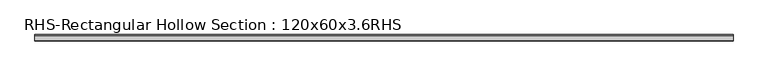
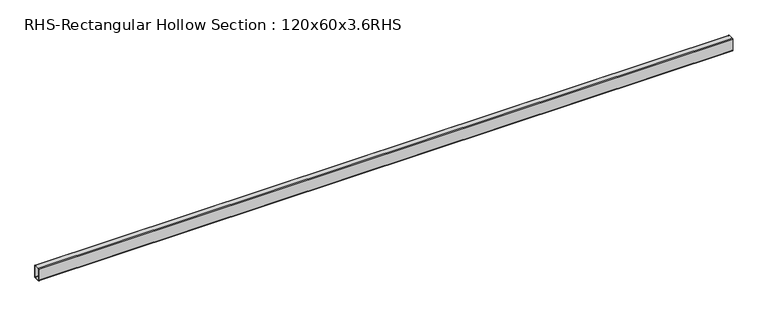
"""IFC4 building model written with IfcOpenShell, lengths in millimetres: beam geometry, RHS-Rectangular Hollow Section : 120x60x3.6RHS."""

import ifcopenshell
import ifcopenshell.guid

model = None  # the IFC model being written
_history = None  # IfcOwnerHistory: only IFC2X3 demands one
_inside = {}  # id of a spatial element -> (the spatial element, [elements in it])
_under = {}  # id of a project, library or spatial element -> (it, [spatial elements below it])
_declared = {}  # id of a project -> (the project, [libraries it declares])
_typed = {}  # id of a type object -> (the type object, [elements of that type])
_made_of = {}  # id of a material, layer set ... -> (it, [elements and type objects made of it])


def new_model(schema):
    """Start an empty IFC model of exactly this schema.

    Asked for "IFC4X3", IfcOpenShell would pick the latest addendum, in which some entities
    have other attributes; the version numbers below select the first issue.
    IFC2X3 requires an IfcOwnerHistory on every rooted entity: one is made here for all.
    """
    global model, _history
    if schema == "IFC4X3":
        model = ifcopenshell.file(schema_version=(4, 3, 0, 0))
    else:
        model = ifcopenshell.file(schema=schema)
    _inside.clear()
    _under.clear()
    _declared.clear()
    _typed.clear()
    _made_of.clear()
    _history = None
    if model.schema == "IFC2X3":
        org = make("IfcOrganization", Name="unknown")
        user = make(
            "IfcPersonAndOrganization",
            ThePerson=make("IfcPerson", FamilyName="unknown"),
            TheOrganization=org,
        )
        app = make(
            "IfcApplication",
            ApplicationDeveloper=org,
            Version="unknown",
            ApplicationFullName="unknown",
            ApplicationIdentifier="unknown",
        )
        _history = make(
            "IfcOwnerHistory",
            OwningUser=user,
            OwningApplication=app,
            ChangeAction="ADDED",
            CreationDate=0,
        )
    return model


def make(cls, **values):
    """One entity of the class cls with the attributes given. An attribute that is None is left unset."""
    return model.create_entity(
        cls, **{name: value for name, value in values.items() if value is not None}
    )


def rooted(cls, **values):
    """An entity with a GlobalId (a new one), such as an element, a storey or a relation."""
    return make(cls, GlobalId=ifcopenshell.guid.new(), OwnerHistory=_history, **values)


def si_unit(unit_type, name, prefix=None):
    """IfcSIUnit, for example si_unit("LENGTHUNIT", "METRE", prefix="MILLI")."""
    return make("IfcSIUnit", UnitType=unit_type, Prefix=prefix, Name=name)


def assignment(units):
    """IfcUnitAssignment: the units of a project."""
    return None if units is None else make("IfcUnitAssignment", Units=units)


def point(xyz):
    """IfcCartesianPoint."""
    return None if xyz is None else make("IfcCartesianPoint", Coordinates=xyz)


def direction(xyz):
    """IfcDirection."""
    return None if xyz is None else make("IfcDirection", DirectionRatios=xyz)


def frame(location, z_axis=None, x_axis=None):
    """IfcAxis2Placement3D, a coordinate frame: its origin and axes. An axis left out is left unset."""
    return make(
        "IfcAxis2Placement3D",
        Location=point(location),
        Axis=direction(z_axis),
        RefDirection=direction(x_axis),
    )


def frame_2d(location, x_axis=None):
    """IfcAxis2Placement2D, a coordinate frame in the plane: its origin and x axis."""
    return make(
        "IfcAxis2Placement2D", Location=point(location), RefDirection=direction(x_axis)
    )


def origin():
    """The frame at (0, 0, 0) with its axes left unset."""
    return frame((0.0, 0.0, 0.0))


def place(relative_to, where):
    """IfcLocalPlacement: puts the frame where relative to a parent placement (None: the world)."""
    return make(
        "IfcLocalPlacement", PlacementRelTo=relative_to, RelativePlacement=where
    )


def context(
    kind, dimensions, precision=None, world=None, true_north=None, identifier=None
):
    """IfcGeometricRepresentationContext, for example the 3D "Model" context."""
    return make(
        "IfcGeometricRepresentationContext",
        ContextIdentifier=identifier,
        ContextType=kind,
        CoordinateSpaceDimension=dimensions,
        Precision=precision,
        WorldCoordinateSystem=world,
        TrueNorth=true_north,
    )


def project(units=None, contexts=None):
    """IfcProject with its units and contexts."""
    return rooted(
        "IfcProject",
        Name="project",
        RepresentationContexts=contexts,
        UnitsInContext=assignment(units),
    )


def spatial(cls, under=None, at=None, **own):
    """A site, building, storey or space (cls), placed at a placement, below another one or the project."""
    s = rooted(cls, ObjectPlacement=at, **own)
    if under is not None:
        _under.setdefault(under.id(), (under, []))[1].append(s)
    return s


def polyline(points):
    """IfcPolyline through the points."""
    return make("IfcPolyline", Points=[point(p) for p in points])


def circle_curve(where, radius):
    """IfcCircle in the frame where."""
    return make("IfcCircle", Position=where, Radius=radius)


def trimmed(basis, trim1, trim2, sense, master):
    """IfcTrimmedCurve: the piece of a basis curve between two trims."""
    return make(
        "IfcTrimmedCurve",
        BasisCurve=basis,
        Trim1=trim1,
        Trim2=trim2,
        SenseAgreement=sense,
        MasterRepresentation=master,
    )


def segment(curve, same_sense, transition):
    """IfcCompositeCurveSegment."""
    return make(
        "IfcCompositeCurveSegment",
        Transition=transition,
        SameSense=same_sense,
        ParentCurve=curve,
    )


def composite_curve(segments, self_intersect=None):
    """IfcCompositeCurve: segments joined end to end."""
    return make("IfcCompositeCurve", Segments=segments, SelfIntersect=self_intersect)


def outline(outer, holes=None, kind="AREA"):
    """IfcArbitraryClosedProfileDef: a profile drawn as a closed curve; with holes, ...WithVoids."""
    if holes is None:
        return make("IfcArbitraryClosedProfileDef", ProfileType=kind, OuterCurve=outer)
    return make(
        "IfcArbitraryProfileDefWithVoids",
        ProfileType=kind,
        OuterCurve=outer,
        InnerCurves=holes,
    )


def extrude(swept, where, along, depth):
    """IfcExtrudedAreaSolid: the profile swept, set in the frame where, extruded along a direction by depth."""
    return make(
        "IfcExtrudedAreaSolid",
        SweptArea=swept,
        Position=where,
        ExtrudedDirection=direction(along),
        Depth=depth,
    )


def shape(context_of_items, identifier, shape_type, items):
    """IfcShapeRepresentation: the items that make up one representation, for example the "Body"."""
    return make(
        "IfcShapeRepresentation",
        ContextOfItems=context_of_items,
        RepresentationIdentifier=identifier,
        RepresentationType=shape_type,
        Items=items,
    )


def source(mapping_origin, context_of_items, identifier, shape_type, items):
    """IfcRepresentationMap: a shape defined once, which mapped items show again and again."""
    return make(
        "IfcRepresentationMap",
        MappingOrigin=mapping_origin,
        MappedRepresentation=shape(context_of_items, identifier, shape_type, items),
    )


def transform(
    local_origin,
    x_axis=None,
    y_axis=None,
    z_axis=None,
    scale=None,
    scale2=None,
    scale3=None,
    uniform=True,
):
    """IfcCartesianTransformationOperator3D, or its non-uniform kind. x_axis, y_axis, z_axis: its Axis1, 2, 3."""
    if uniform:
        return make(
            "IfcCartesianTransformationOperator3D",
            Axis1=direction(x_axis),
            Axis2=direction(y_axis),
            LocalOrigin=point(local_origin),
            Scale=scale,
            Axis3=direction(z_axis),
        )
    return make(
        "IfcCartesianTransformationOperator3DnonUniform",
        Axis1=direction(x_axis),
        Axis2=direction(y_axis),
        LocalOrigin=point(local_origin),
        Scale=scale,
        Axis3=direction(z_axis),
        Scale2=scale2,
        Scale3=scale3,
    )


def mapped(mapping_source, mapping_target):
    """IfcMappedItem: shows the shape of a source again, moved by a transform."""
    return make(
        "IfcMappedItem", MappingSource=mapping_source, MappingTarget=mapping_target
    )


def made_of(thing, what):
    """Note that an element or type object is made of a material, layer set ...; save() writes the relation."""
    if what is not None:
        _made_of.setdefault(what.id(), (what, []))[1].append(thing)
    return thing


def element(
    cls,
    number,
    at=None,
    inside=None,
    cuts=None,
    type_object=None,
    material=None,
    context=None,
    identifier="Body",
    shape_type=None,
    held_by="IfcProductDefinitionShape",
    body=None,
    shapes=None,
    **own,
):
    """One element of the class cls, such as IfcWall. Its Tag is "e" and its number.

    at: its placement. inside: the storey or other place that contains it. cuts: it is an
    opening in that element (IfcRelVoidsElement). A single representation is given by context,
    identifier, shape_type and body (its items); several are given by shapes. held_by: the class
    of the entity that holds the representations. save() writes the other relations.
    """
    e = rooted(cls, Tag="e%d" % number, ObjectPlacement=at, **own)
    if body is not None:
        shapes = [shape(context, identifier, shape_type, body)]
    if shapes is not None:
        e.Representation = make(held_by, Representations=shapes)
    if inside is not None:
        _inside.setdefault(inside.id(), (inside, []))[1].append(e)
    if cuts is not None:
        rooted(
            "IfcRelVoidsElement", RelatingBuildingElement=cuts, RelatedOpeningElement=e
        )
    if type_object is not None:
        _typed.setdefault(type_object.id(), (type_object, []))[1].append(e)
    return made_of(e, material)


def aggregate(whole, parts):
    """IfcRelAggregates: a whole, such as a stair, and the parts it consists of."""
    return rooted("IfcRelAggregates", RelatingObject=whole, RelatedObjects=parts)


def save(model, path):
    """Write the relations noted so far, then the file.

    IfcRelAggregates (storeys below a building ...), IfcRelContainedInSpatialStructure (elements
    in a storey), IfcRelDefinesByType, IfcRelAssociatesMaterial and IfcRelDeclares: one each for
    every whole, place, type object, material and project.
    """
    for whole, parts in _under.values():
        aggregate(whole, parts)
    for where, things in _inside.values():
        rooted(
            "IfcRelContainedInSpatialStructure",
            RelatedElements=things,
            RelatingStructure=where,
        )
    for kind, things in _typed.values():
        rooted("IfcRelDefinesByType", RelatedObjects=things, RelatingType=kind)
    for what, things in _made_of.values():
        rooted("IfcRelAssociatesMaterial", RelatedObjects=things, RelatingMaterial=what)
    for by, libraries in _declared.values():
        rooted("IfcRelDeclares", RelatingContext=by, RelatedDefinitions=libraries)
    model.write(path)


def rhs_rectangular_hollow_section_120x60x3_6rhs_d71be503(model_context):
    return source(origin(), model_context, "Body", "SweptSolid", [
        extrude(outline(composite_curve([segment(polyline([(30.0, 52.8), (30.0, -52.8)]), True, "CONTINUOUS"), segment(trimmed(circle_curve(frame_2d((22.8, -52.8)), 7.2), [point((30.0, -52.8))], [point((22.8, -60.0))], False, "CARTESIAN"), True, "CONTINUOUS"), segment(polyline([(22.8, -60.0), (-22.8, -60.0)]), True, "CONTINUOUS"), segment(trimmed(circle_curve(frame_2d((-22.8, -52.8)), 7.2), [point((-22.8, -60.0))], [point((-30.0, -52.8))], False, "CARTESIAN"), True, "CONTINUOUS"), segment(polyline([(-30.0, -52.8), (-30.0, 52.8)]), True, "CONTINUOUS"), segment(trimmed(circle_curve(frame_2d((-22.8, 52.8)), 7.2), [point((-30.0, 52.8))], [point((-22.8, 60.0))], False, "CARTESIAN"), True, "CONTINUOUS"), segment(polyline([(-22.8, 60.0), (22.8, 60.0)]), True, "CONTINUOUS"), segment(trimmed(circle_curve(frame_2d((22.8, 52.8)), 7.2), [point((22.8, 60.0))], [point((30.0, 52.8))], False, "CARTESIAN"), True, "CONTINUOUS")], self_intersect=False), holes=[composite_curve([segment(trimmed(circle_curve(frame_2d((-22.8, 52.8)), 3.6), [point((-22.8, 56.4))], [point((-26.4, 52.8))], True, "CARTESIAN"), True, "CONTINUOUS"), segment(polyline([(-26.4, 52.8), (-26.4, -52.8)]), True, "CONTINUOUS"), segment(trimmed(circle_curve(frame_2d((-22.8, -52.8)), 3.6), [point((-26.4, -52.8))], [point((-22.8, -56.4))], True, "CARTESIAN"), True, "CONTINUOUS"), segment(polyline([(-22.8, -56.4), (22.8, -56.4)]), True, "CONTINUOUS"), segment(trimmed(circle_curve(frame_2d((22.8, -52.8)), 3.6), [point((22.8, -56.4))], [point((26.4, -52.8))], True, "CARTESIAN"), True, "CONTINUOUS"), segment(polyline([(26.4, -52.8), (26.4, 52.8)]), True, "CONTINUOUS"), segment(trimmed(circle_curve(frame_2d((22.8, 52.8)), 3.6), [point((26.4, 52.8))], [point((22.8, 56.4))], True, "CARTESIAN"), True, "CONTINUOUS"), segment(polyline([(22.8, 56.4), (-22.8, 56.4)]), True, "CONTINUOUS")], self_intersect=False)]), frame((-3265.6929392, 0.0, 0.0), z_axis=(1.0, 0.0, 0.0), x_axis=(0.0, 1.0, 0.0)), (0.0, 0.0, 1.0), 6359.5699848),
    ])


if __name__ == "__main__":
    model = new_model("IFC4")
    model_context = context("Model", 3, world=origin())
    ifc_project = project(units=[si_unit("LENGTHUNIT", "METRE", prefix="MILLI")], contexts=[model_context])
    site = spatial("IfcSite", under=ifc_project)
    building = spatial("IfcBuilding", under=site)
    placement = place(None, origin())
    rhs_rectangular_hollow_section_120x60x3_6rhs_shape = rhs_rectangular_hollow_section_120x60x3_6rhs_d71be503(model_context)
    element("IfcBeam", 1, ObjectType="RHS-Rectangular Hollow Section : 120x60x3.6RHS", at=placement, inside=building, context=model_context, shape_type="MappedRepresentation", body=[
        mapped(rhs_rectangular_hollow_section_120x60x3_6rhs_shape, transform((0.0, 0.0, 0.0), x_axis=(1.0, 0.0, 0.0), y_axis=(0.0, 1.0, 0.0), z_axis=(0.0, 0.0, 1.0))),
    ])
    save(model, "model.ifc")
